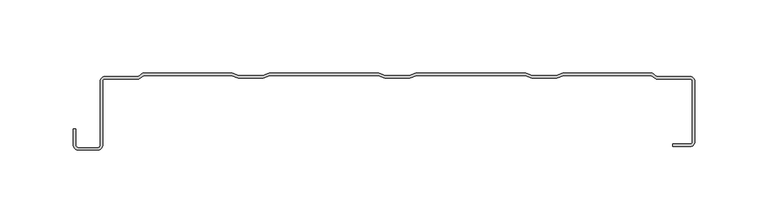
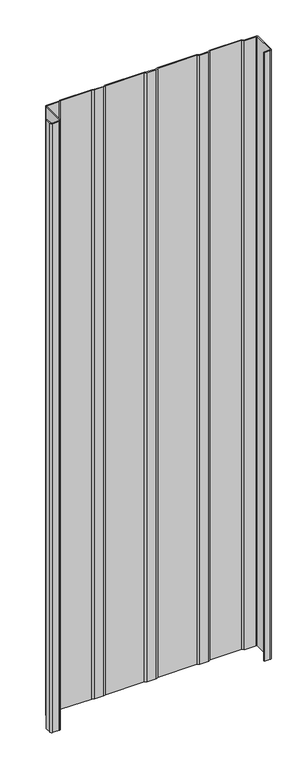
"""IFC4 building model written with IfcOpenShell, lengths in millimetres: plate geometry."""

import ifcopenshell
import ifcopenshell.guid

model = None  # the IFC model being written
_history = None  # IfcOwnerHistory: only IFC2X3 demands one
_inside = {}  # id of a spatial element -> (the spatial element, [elements in it])
_under = {}  # id of a project, library or spatial element -> (it, [spatial elements below it])
_declared = {}  # id of a project -> (the project, [libraries it declares])
_typed = {}  # id of a type object -> (the type object, [elements of that type])
_made_of = {}  # id of a material, layer set ... -> (it, [elements and type objects made of it])


def new_model(schema):
    """Start an empty IFC model of exactly this schema.

    Asked for "IFC4X3", IfcOpenShell would pick the latest addendum, in which some entities
    have other attributes; the version numbers below select the first issue.
    IFC2X3 requires an IfcOwnerHistory on every rooted entity: one is made here for all.
    """
    global model, _history
    if schema == "IFC4X3":
        model = ifcopenshell.file(schema_version=(4, 3, 0, 0))
    else:
        model = ifcopenshell.file(schema=schema)
    _inside.clear()
    _under.clear()
    _declared.clear()
    _typed.clear()
    _made_of.clear()
    _history = None
    if model.schema == "IFC2X3":
        org = make("IfcOrganization", Name="unknown")
        user = make(
            "IfcPersonAndOrganization",
            ThePerson=make("IfcPerson", FamilyName="unknown"),
            TheOrganization=org,
        )
        app = make(
            "IfcApplication",
            ApplicationDeveloper=org,
            Version="unknown",
            ApplicationFullName="unknown",
            ApplicationIdentifier="unknown",
        )
        _history = make(
            "IfcOwnerHistory",
            OwningUser=user,
            OwningApplication=app,
            ChangeAction="ADDED",
            CreationDate=0,
        )
    return model


def make(cls, **values):
    """One entity of the class cls with the attributes given. An attribute that is None is left unset."""
    return model.create_entity(
        cls, **{name: value for name, value in values.items() if value is not None}
    )


def rooted(cls, **values):
    """An entity with a GlobalId (a new one), such as an element, a storey or a relation."""
    return make(cls, GlobalId=ifcopenshell.guid.new(), OwnerHistory=_history, **values)


def si_unit(unit_type, name, prefix=None):
    """IfcSIUnit, for example si_unit("LENGTHUNIT", "METRE", prefix="MILLI")."""
    return make("IfcSIUnit", UnitType=unit_type, Prefix=prefix, Name=name)


def assignment(units):
    """IfcUnitAssignment: the units of a project."""
    return None if units is None else make("IfcUnitAssignment", Units=units)


def point(xyz):
    """IfcCartesianPoint."""
    return None if xyz is None else make("IfcCartesianPoint", Coordinates=xyz)


def direction(xyz):
    """IfcDirection."""
    return None if xyz is None else make("IfcDirection", DirectionRatios=xyz)


def frame(location, z_axis=None, x_axis=None):
    """IfcAxis2Placement3D, a coordinate frame: its origin and axes. An axis left out is left unset."""
    return make(
        "IfcAxis2Placement3D",
        Location=point(location),
        Axis=direction(z_axis),
        RefDirection=direction(x_axis),
    )


def frame_2d(location, x_axis=None):
    """IfcAxis2Placement2D, a coordinate frame in the plane: its origin and x axis."""
    return make(
        "IfcAxis2Placement2D", Location=point(location), RefDirection=direction(x_axis)
    )


def origin():
    """The frame at (0, 0, 0) with its axes left unset."""
    return frame((0.0, 0.0, 0.0))


def origin_with_axes():
    """The frame at (0, 0, 0) with the z axis (0, 0, 1) and the x axis (1, 0, 0) written out."""
    return frame((0.0, 0.0, 0.0), z_axis=(0.0, 0.0, 1.0), x_axis=(1.0, 0.0, 0.0))


def place(relative_to, where):
    """IfcLocalPlacement: puts the frame where relative to a parent placement (None: the world)."""
    return make(
        "IfcLocalPlacement", PlacementRelTo=relative_to, RelativePlacement=where
    )


def context(
    kind, dimensions, precision=None, world=None, true_north=None, identifier=None
):
    """IfcGeometricRepresentationContext, for example the 3D "Model" context."""
    return make(
        "IfcGeometricRepresentationContext",
        ContextIdentifier=identifier,
        ContextType=kind,
        CoordinateSpaceDimension=dimensions,
        Precision=precision,
        WorldCoordinateSystem=world,
        TrueNorth=true_north,
    )


def project(units=None, contexts=None):
    """IfcProject with its units and contexts."""
    return rooted(
        "IfcProject",
        Name="project",
        RepresentationContexts=contexts,
        UnitsInContext=assignment(units),
    )


def spatial(cls, under=None, at=None, **own):
    """A site, building, storey or space (cls), placed at a placement, below another one or the project."""
    s = rooted(cls, ObjectPlacement=at, **own)
    if under is not None:
        _under.setdefault(under.id(), (under, []))[1].append(s)
    return s


def polyline(points):
    """IfcPolyline through the points."""
    return make("IfcPolyline", Points=[point(p) for p in points])


def circle_curve(where, radius):
    """IfcCircle in the frame where."""
    return make("IfcCircle", Position=where, Radius=radius)


def trimmed(basis, trim1, trim2, sense, master):
    """IfcTrimmedCurve: the piece of a basis curve between two trims."""
    return make(
        "IfcTrimmedCurve",
        BasisCurve=basis,
        Trim1=trim1,
        Trim2=trim2,
        SenseAgreement=sense,
        MasterRepresentation=master,
    )


def segment(curve, same_sense, transition):
    """IfcCompositeCurveSegment."""
    return make(
        "IfcCompositeCurveSegment",
        Transition=transition,
        SameSense=same_sense,
        ParentCurve=curve,
    )


def composite_curve(segments, self_intersect=None):
    """IfcCompositeCurve: segments joined end to end."""
    return make("IfcCompositeCurve", Segments=segments, SelfIntersect=self_intersect)


def outline(outer, holes=None, kind="AREA"):
    """IfcArbitraryClosedProfileDef: a profile drawn as a closed curve; with holes, ...WithVoids."""
    if holes is None:
        return make("IfcArbitraryClosedProfileDef", ProfileType=kind, OuterCurve=outer)
    return make(
        "IfcArbitraryProfileDefWithVoids",
        ProfileType=kind,
        OuterCurve=outer,
        InnerCurves=holes,
    )


def extrude(swept, where, along, depth):
    """IfcExtrudedAreaSolid: the profile swept, set in the frame where, extruded along a direction by depth."""
    return make(
        "IfcExtrudedAreaSolid",
        SweptArea=swept,
        Position=where,
        ExtrudedDirection=direction(along),
        Depth=depth,
    )


def shape(context_of_items, identifier, shape_type, items):
    """IfcShapeRepresentation: the items that make up one representation, for example the "Body"."""
    return make(
        "IfcShapeRepresentation",
        ContextOfItems=context_of_items,
        RepresentationIdentifier=identifier,
        RepresentationType=shape_type,
        Items=items,
    )


def source(mapping_origin, context_of_items, identifier, shape_type, items):
    """IfcRepresentationMap: a shape defined once, which mapped items show again and again."""
    return make(
        "IfcRepresentationMap",
        MappingOrigin=mapping_origin,
        MappedRepresentation=shape(context_of_items, identifier, shape_type, items),
    )


def transform(
    local_origin,
    x_axis=None,
    y_axis=None,
    z_axis=None,
    scale=None,
    scale2=None,
    scale3=None,
    uniform=True,
):
    """IfcCartesianTransformationOperator3D, or its non-uniform kind. x_axis, y_axis, z_axis: its Axis1, 2, 3."""
    if uniform:
        return make(
            "IfcCartesianTransformationOperator3D",
            Axis1=direction(x_axis),
            Axis2=direction(y_axis),
            LocalOrigin=point(local_origin),
            Scale=scale,
            Axis3=direction(z_axis),
        )
    return make(
        "IfcCartesianTransformationOperator3DnonUniform",
        Axis1=direction(x_axis),
        Axis2=direction(y_axis),
        LocalOrigin=point(local_origin),
        Scale=scale,
        Axis3=direction(z_axis),
        Scale2=scale2,
        Scale3=scale3,
    )


def mapped(mapping_source, mapping_target):
    """IfcMappedItem: shows the shape of a source again, moved by a transform."""
    return make(
        "IfcMappedItem", MappingSource=mapping_source, MappingTarget=mapping_target
    )


def made_of(thing, what):
    """Note that an element or type object is made of a material, layer set ...; save() writes the relation."""
    if what is not None:
        _made_of.setdefault(what.id(), (what, []))[1].append(thing)
    return thing


def element(
    cls,
    number,
    at=None,
    inside=None,
    cuts=None,
    type_object=None,
    material=None,
    context=None,
    identifier="Body",
    shape_type=None,
    held_by="IfcProductDefinitionShape",
    body=None,
    shapes=None,
    **own,
):
    """One element of the class cls, such as IfcWall. Its Tag is "e" and its number.

    at: its placement. inside: the storey or other place that contains it. cuts: it is an
    opening in that element (IfcRelVoidsElement). A single representation is given by context,
    identifier, shape_type and body (its items); several are given by shapes. held_by: the class
    of the entity that holds the representations. save() writes the other relations.
    """
    e = rooted(cls, Tag="e%d" % number, ObjectPlacement=at, **own)
    if body is not None:
        shapes = [shape(context, identifier, shape_type, body)]
    if shapes is not None:
        e.Representation = make(held_by, Representations=shapes)
    if inside is not None:
        _inside.setdefault(inside.id(), (inside, []))[1].append(e)
    if cuts is not None:
        rooted(
            "IfcRelVoidsElement", RelatingBuildingElement=cuts, RelatedOpeningElement=e
        )
    if type_object is not None:
        _typed.setdefault(type_object.id(), (type_object, []))[1].append(e)
    return made_of(e, material)


def aggregate(whole, parts):
    """IfcRelAggregates: a whole, such as a stair, and the parts it consists of."""
    return rooted("IfcRelAggregates", RelatingObject=whole, RelatedObjects=parts)


def save(model, path):
    """Write the relations noted so far, then the file.

    IfcRelAggregates (storeys below a building ...), IfcRelContainedInSpatialStructure (elements
    in a storey), IfcRelDefinesByType, IfcRelAssociatesMaterial and IfcRelDeclares: one each for
    every whole, place, type object, material and project.
    """
    for whole, parts in _under.values():
        aggregate(whole, parts)
    for where, things in _inside.values():
        rooted(
            "IfcRelContainedInSpatialStructure",
            RelatedElements=things,
            RelatingStructure=where,
        )
    for kind, things in _typed.values():
        rooted("IfcRelDefinesByType", RelatedObjects=things, RelatingType=kind)
    for what, things in _made_of.values():
        rooted("IfcRelAssociatesMaterial", RelatedObjects=things, RelatingMaterial=what)
    for by, libraries in _declared.values():
        rooted("IfcRelDeclares", RelatingContext=by, RelatedDefinitions=libraries)
    model.write(path)


def plate_393a0ebc(model_context):
    return source(origin(), model_context, "Body", "SweptSolid", [
        extrude(outline(composite_curve([segment(polyline([(87.4693264, -1.5980513), (13.7187372, -1.5980513), (9.0758105, -3.455222), (-7.9558077, -3.455222), (-12.5987344, -1.5980513), (-86.3493236, -1.5980513), (-90.9922503, -3.455222), (-108.0238685, -3.455222), (-112.6667951, -1.5980513), (-172.4402192, -1.5980513), (-175.6221797, -3.9845217), (-199.106227, -3.9845217)]), True, "CONTINUOUS"), segment(trimmed(circle_curve(frame_2d((-199.106227, -5.126492)), 1.1419703), [point((-199.106227, -3.9845217))], [point((-200.2481973, -5.126492))], True, "CARTESIAN"), True, "CONTINUOUS"), segment(polyline([(-200.2481973, -5.126492), (-200.2481973, -48.8784494)]), True, "CONTINUOUS"), segment(trimmed(circle_curve(frame_2d((-203.8791678, -48.8784494)), 3.6309705), [point((-200.2481973, -48.8784494))], [point((-203.8791678, -52.5094199))], False, "CARTESIAN"), True, "CONTINUOUS"), segment(polyline([(-203.8791678, -52.5094199), (-216.60701, -52.5094199)]), True, "CONTINUOUS"), segment(trimmed(circle_curve(frame_2d((-216.60701, -48.8784494)), 3.6309705), [point((-216.60701, -52.5094199))], [point((-220.2379805, -48.8784494))], False, "CARTESIAN"), True, "CONTINUOUS"), segment(polyline([(-220.2379805, -48.8784494), (-220.2379805, -38.1835265), (-218.6399292, -38.1835265), (-218.6399292, -48.8784494)]), True, "CONTINUOUS"), segment(trimmed(circle_curve(frame_2d((-216.60701, -48.8784494)), 2.0329192), [point((-218.6399292, -48.8784494))], [point((-216.60701, -50.9113686))], True, "CARTESIAN"), True, "CONTINUOUS"), segment(polyline([(-216.60701, -50.9113686), (-203.8791678, -50.9113686)]), True, "CONTINUOUS"), segment(trimmed(circle_curve(frame_2d((-203.8791678, -48.8784494)), 2.0329192), [point((-203.8791678, -50.9113686))], [point((-201.8462486, -48.8784494))], True, "CARTESIAN"), True, "CONTINUOUS"), segment(polyline([(-201.8462486, -48.8784494), (-201.8462486, -5.126492)]), True, "CONTINUOUS"), segment(trimmed(circle_curve(frame_2d((-199.106227, -5.126492)), 2.7400216), [point((-201.8462486, -5.126492))], [point((-199.106227, -2.3864704))], False, "CARTESIAN"), True, "CONTINUOUS"), segment(polyline([(-199.106227, -2.3864704), (-176.1548635, -2.3864704), (-172.972903, 0.0), (-112.123961, 0.0), (-107.6992984, -1.7698651), (-91.3168203, -1.7698651), (-86.8921577, 0.0), (-12.0559003, 0.0), (-7.6312376, -1.7698651), (8.7512404, -1.7698651), (13.1759031, 0.0), (88.0121605, 0.0), (92.4368232, -1.7698651), (108.8193012, -1.7698651), (113.2439639, 0.0), (174.0929058, 0.0), (177.2748663, -2.3864704), (200.2262298, -2.3864704)]), True, "CONTINUOUS"), segment(trimmed(circle_curve(frame_2d((200.2595098, -5.1267585)), 2.7404902), [point((200.2262298, -2.3864704))], [point((203.0, -5.1267585))], False, "CARTESIAN"), True, "CONTINUOUS"), segment(polyline([(203.0, -5.1267585), (203.0, -47.2180172)]), True, "CONTINUOUS"), segment(trimmed(circle_curve(frame_2d((200.2262298, -47.2180172)), 2.7737702), [point((203.0, -47.2180172))], [point((200.2262298, -49.9917874))], False, "CARTESIAN"), True, "CONTINUOUS"), segment(polyline([(200.2262298, -49.9917874), (188.1469081, -49.9917874), (188.1469081, -48.374053), (200.2262298, -48.374053)]), True, "CONTINUOUS"), segment(trimmed(circle_curve(frame_2d((200.2262298, -47.2180172)), 1.1560358), [point((200.2262298, -48.374053))], [point((201.3822657, -47.2180172))], True, "CARTESIAN"), True, "CONTINUOUS"), segment(polyline([(201.3822657, -47.2180172), (201.3822657, -5.1405575)]), True, "CONTINUOUS"), segment(trimmed(circle_curve(frame_2d((200.2262298, -5.1405575)), 1.1560358), [point((201.3822657, -5.1405575))], [point((200.2262298, -3.9845217))], True, "CARTESIAN"), True, "CONTINUOUS"), segment(polyline([(200.2262298, -3.9845217), (176.7421826, -3.9845217), (173.560222, -1.5980513), (113.786798, -1.5980513), (109.1438713, -3.455222), (92.1122531, -3.455222), (87.4693264, -1.5980513)]), True, "CONTINUOUS")], self_intersect=False)), origin_with_axes(), (0.0, 0.0, 1.0), 1228.3559792),
    ])


if __name__ == "__main__":
    model = new_model("IFC4")
    model_context = context("Model", 3, world=origin())
    ifc_project = project(units=[si_unit("LENGTHUNIT", "METRE", prefix="MILLI")], contexts=[model_context])
    site = spatial("IfcSite", under=ifc_project)
    building = spatial("IfcBuilding", under=site)
    placement = place(None, origin())
    plate_shape = plate_393a0ebc(model_context)
    element("IfcPlate", 1, at=placement, inside=building, context=model_context, shape_type="MappedRepresentation", body=[
        mapped(plate_shape, transform((0.0, 0.0, 0.0), x_axis=(1.0, 0.0, 0.0), y_axis=(0.0, 1.0, 0.0), z_axis=(0.0, 0.0, 1.0))),
    ])
    save(model, "model.ifc")
